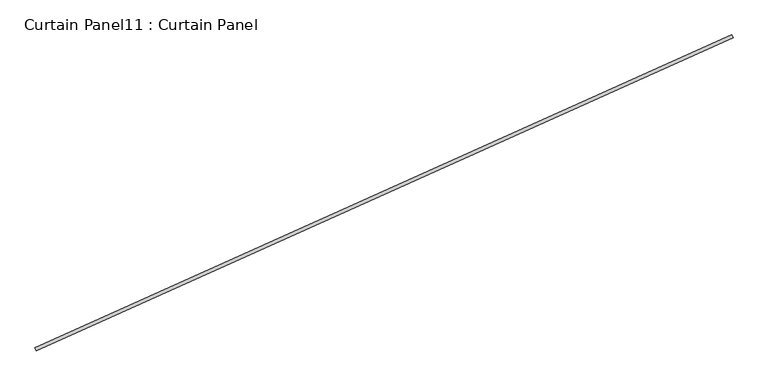
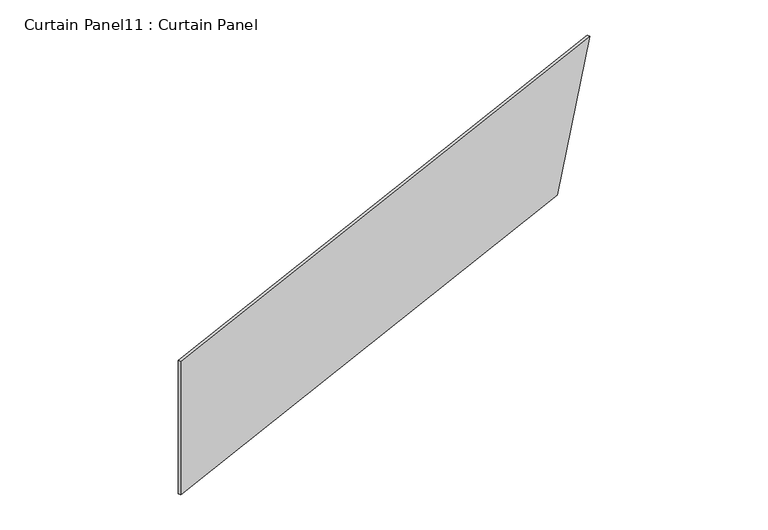
"""IFC4 building model written with IfcOpenShell, lengths in millimetres: plate geometry, Curtain Panel11 : Curtain Panel."""

from ifc_helpers import new_model, si_unit, frame, origin, place, context, project, spatial, polyline, outline, extrude, source, transform, mapped, element, save


def curtain_panel11_curtain_panel_de1f8135(model_context):
    return source(origin(), model_context, "Body", "SweptSolid", [
        extrude(outline(polyline([(0.0, 0.0), (0.0, -6028.3950939), (-1524.0, -6542.8577683), (-1524.0, 0.0), (0.0, 0.0)])), frame((36557.5770857, -12836.3437505, 15849.6), z_axis=(-0.41023197127835825, 0.9119812112873117, 0.0), x_axis=(0.0, 0.0, -1.0)), (0.0, 0.0, 1.0), 25.4),
    ])


if __name__ == "__main__":
    model = new_model("IFC4")
    model_context = context("Model", 3, world=origin())
    ifc_project = project(units=[si_unit("LENGTHUNIT", "METRE", prefix="MILLI")], contexts=[model_context])
    site = spatial("IfcSite", under=ifc_project)
    building = spatial("IfcBuilding", under=site)
    placement = place(None, origin())
    curtain_panel11_curtain_panel_shape = curtain_panel11_curtain_panel_de1f8135(model_context)
    element("IfcPlate", 1, ObjectType="Curtain Panel11 : Curtain Panel", at=placement, inside=building, context=model_context, shape_type="MappedRepresentation", body=[
        mapped(curtain_panel11_curtain_panel_shape, transform((0.0, 0.0, 0.0), x_axis=(1.0, 0.0, 0.0), y_axis=(0.0, 1.0, 0.0), z_axis=(0.0, 0.0, 1.0))),
    ])
    save(model, "model.ifc")
